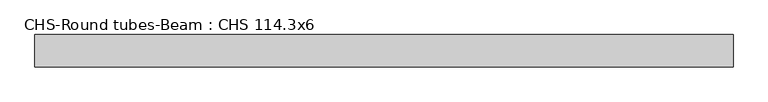
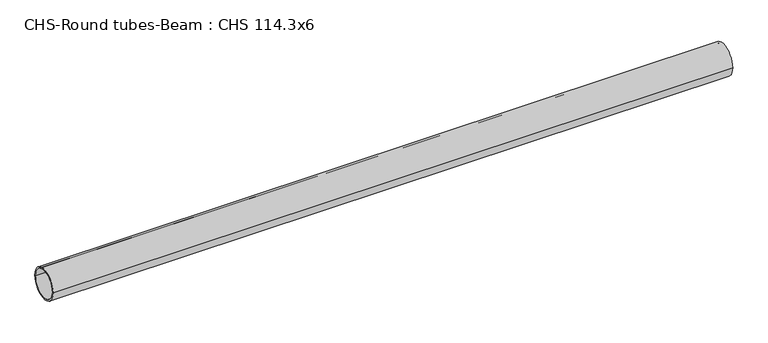
"""IFC4 building model written with IfcOpenShell, lengths in millimetres: beam geometry, CHS-Round tubes-Beam : CHS 114.3x6."""

from ifc_helpers import new_model, si_unit, point, frame, origin, origin_2d, place, context, project, spatial, circle_curve, trimmed, segment, composite_curve, outline, extrude, source, transform, mapped, element, save


def chs_round_tubes_beam_chs_114_3x6_6608a2fe(model_context):
    return source(origin(), model_context, "Body", "SweptSolid", [
        extrude(outline(composite_curve([segment(trimmed(circle_curve(origin_2d(), 57.15), [point((57.15, 0.0))], [point((-57.15, 0.0))], False, "CARTESIAN"), True, "CONTINUOUS"), segment(trimmed(circle_curve(origin_2d(), 57.15), [point((-57.15, 0.0))], [point((57.15, 0.0))], False, "CARTESIAN"), True, "CONTINUOUS")], self_intersect=False), holes=[composite_curve([segment(trimmed(circle_curve(origin_2d(), 51.15), [point((51.15, 0.0))], [point((-51.15, 0.0))], True, "CARTESIAN"), True, "CONTINUOUS"), segment(trimmed(circle_curve(origin_2d(), 51.15), [point((-51.15, 0.0))], [point((51.15, 0.0))], True, "CARTESIAN"), True, "CONTINUOUS")], self_intersect=False)]), frame((-1184.6534186, 0.0, 0.0), z_axis=(1.0, 0.0, 0.0), x_axis=(0.0, 1.0, 0.0)), (0.0, 0.0, 1.0), 2475.1997994),
    ])


if __name__ == "__main__":
    model = new_model("IFC4")
    model_context = context("Model", 3, world=origin())
    ifc_project = project(units=[si_unit("LENGTHUNIT", "METRE", prefix="MILLI")], contexts=[model_context])
    site = spatial("IfcSite", under=ifc_project)
    building = spatial("IfcBuilding", under=site)
    placement = place(None, origin())
    chs_round_tubes_beam_chs_114_3x6_shape = chs_round_tubes_beam_chs_114_3x6_6608a2fe(model_context)
    element("IfcBeam", 1, ObjectType="CHS-Round tubes-Beam : CHS 114.3x6", at=placement, inside=building, context=model_context, shape_type="MappedRepresentation", body=[
        mapped(chs_round_tubes_beam_chs_114_3x6_shape, transform((0.0, 0.0, 0.0), x_axis=(1.0, 0.0, 0.0), y_axis=(0.0, 1.0, 0.0), z_axis=(0.0, 0.0, 1.0))),
    ])
    save(model, "model.ifc")
